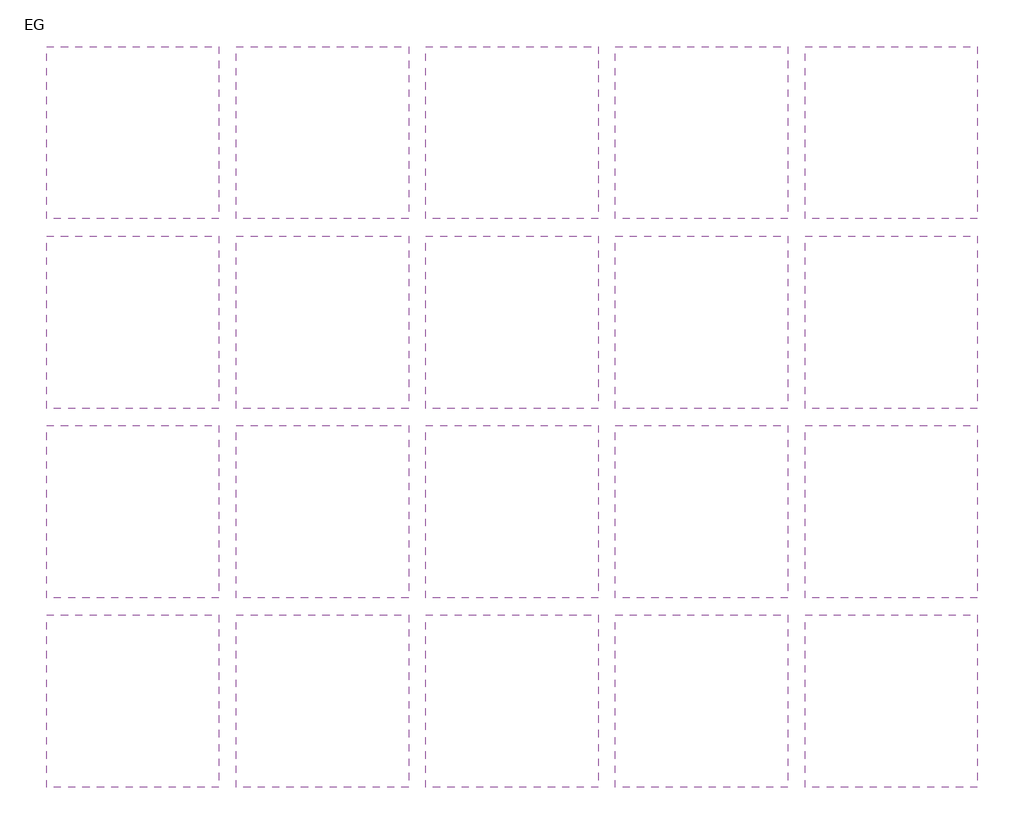
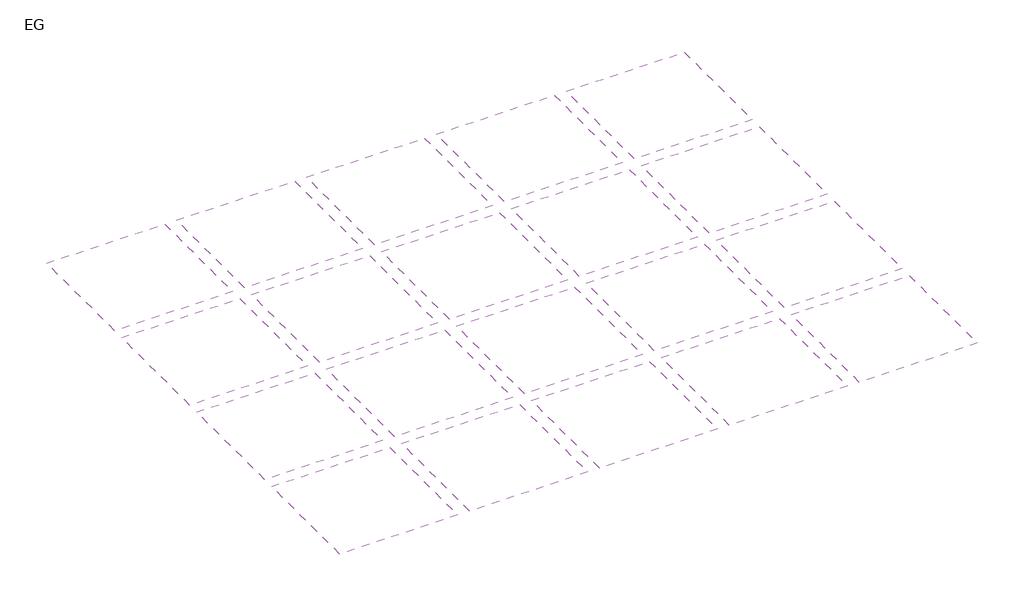
# One storey: 20 coverings.
"""IFC4 building model written with IfcOpenShell, lengths in millimetres."""

from ifc_helpers import new_model, si_unit, frame, origin, place, context, project, spatial, polyline, outline, extrude, element, save

model = new_model("IFC4")

# Units and contexts
model_context = context("Model", 3, world=origin())
ifc_project = project(units=[si_unit("LENGTHUNIT", "METRE", prefix="MILLI")], contexts=[model_context])

# Site, building, storey
site = spatial("IfcSite", under=ifc_project)
building = spatial("IfcBuilding", under=site)
storey = spatial("IfcBuildingStorey", under=building, Name="EG", Elevation=0.0)

# Coverings
placement = place(None, origin())
element("IfcCovering", 1, ObjectType="H_AHD 5.0cm - 0,60 x 0,60m", at=placement, inside=storey, context=model_context, shape_type="SweptSolid", body=[
    extrude(outline(polyline([(-34044.2742721, 12776.6918813), (-34044.2742721, 11776.6918813), (-35044.2742721, 11776.6918813), (-35044.2742721, 12776.6918813), (-34044.2742721, 12776.6918813)])), frame((0.0, 0.0, 2600.0), z_axis=(0.0, 0.0, 1.0), x_axis=(1.0, 0.0, 0.0)), (0.0, 0.0, 1.0), 50.0),
])
element("IfcCovering", 2, ObjectType="H_AHD 5.0cm - 0,60 x 0,60m", at=placement, inside=storey, context=model_context, shape_type="SweptSolid", body=[
    extrude(outline(polyline([(-34044.2742721, 11676.6918813), (-34044.2742721, 10676.6918813), (-35044.2742721, 10676.6918813), (-35044.2742721, 11676.6918813), (-34044.2742721, 11676.6918813)])), frame((0.0, 0.0, 2600.0), z_axis=(0.0, 0.0, 1.0), x_axis=(1.0, 0.0, 0.0)), (0.0, 0.0, 1.0), 50.0),
])
element("IfcCovering", 3, ObjectType="H_AHD 5.0cm - 0,60 x 0,60m", at=placement, inside=storey, context=model_context, shape_type="SweptSolid", body=[
    extrude(outline(polyline([(-34044.2742721, 10576.6918813), (-34044.2742721, 9576.6918813), (-35044.2742721, 9576.6918813), (-35044.2742721, 10576.6918813), (-34044.2742721, 10576.6918813)])), frame((0.0, 0.0, 2600.0), z_axis=(0.0, 0.0, 1.0), x_axis=(1.0, 0.0, 0.0)), (0.0, 0.0, 1.0), 50.0),
])
element("IfcCovering", 4, ObjectType="H_AHD 5.0cm - 0,60 x 0,60m", at=placement, inside=storey, context=model_context, shape_type="SweptSolid", body=[
    extrude(outline(polyline([(-34044.2742721, 9476.6918813), (-34044.2742721, 8476.6918813), (-35044.2742721, 8476.6918813), (-35044.2742721, 9476.6918813), (-34044.2742721, 9476.6918813)])), frame((0.0, 0.0, 2600.0), z_axis=(0.0, 0.0, 1.0), x_axis=(1.0, 0.0, 0.0)), (0.0, 0.0, 1.0), 50.0),
])
element("IfcCovering", 5, ObjectType="H_AHD 5.0cm - 0,60 x 0,60m", at=placement, inside=storey, context=model_context, shape_type="SweptSolid", body=[
    extrude(outline(polyline([(-32944.2742721, 12776.6918813), (-32944.2742721, 11776.6918813), (-33944.2742721, 11776.6918813), (-33944.2742721, 12776.6918813), (-32944.2742721, 12776.6918813)])), frame((0.0, 0.0, 2600.0), z_axis=(0.0, 0.0, 1.0), x_axis=(1.0, 0.0, 0.0)), (0.0, 0.0, 1.0), 50.0),
])
element("IfcCovering", 6, ObjectType="H_AHD 5.0cm - 0,60 x 0,60m", at=placement, inside=storey, context=model_context, shape_type="SweptSolid", body=[
    extrude(outline(polyline([(-32944.2742721, 11676.6918813), (-32944.2742721, 10676.6918813), (-33944.2742721, 10676.6918813), (-33944.2742721, 11676.6918813), (-32944.2742721, 11676.6918813)])), frame((0.0, 0.0, 2600.0), z_axis=(0.0, 0.0, 1.0), x_axis=(1.0, 0.0, 0.0)), (0.0, 0.0, 1.0), 50.0),
])
element("IfcCovering", 7, ObjectType="H_AHD 5.0cm - 0,60 x 0,60m", at=placement, inside=storey, context=model_context, shape_type="SweptSolid", body=[
    extrude(outline(polyline([(-32944.2742721, 10576.6918813), (-32944.2742721, 9576.6918813), (-33944.2742721, 9576.6918813), (-33944.2742721, 10576.6918813), (-32944.2742721, 10576.6918813)])), frame((0.0, 0.0, 2600.0), z_axis=(0.0, 0.0, 1.0), x_axis=(1.0, 0.0, 0.0)), (0.0, 0.0, 1.0), 50.0),
])
element("IfcCovering", 8, ObjectType="H_AHD 5.0cm - 0,60 x 0,60m", at=placement, inside=storey, context=model_context, shape_type="SweptSolid", body=[
    extrude(outline(polyline([(-32944.2742721, 9476.6918813), (-32944.2742721, 8476.6918813), (-33944.2742721, 8476.6918813), (-33944.2742721, 9476.6918813), (-32944.2742721, 9476.6918813)])), frame((0.0, 0.0, 2600.0), z_axis=(0.0, 0.0, 1.0), x_axis=(1.0, 0.0, 0.0)), (0.0, 0.0, 1.0), 50.0),
])
element("IfcCovering", 9, ObjectType="H_AHD 5.0cm - 0,60 x 0,60m", at=placement, inside=storey, context=model_context, shape_type="SweptSolid", body=[
    extrude(outline(polyline([(-31844.2742721, 12776.6918813), (-31844.2742721, 11776.6918813), (-32844.2742721, 11776.6918813), (-32844.2742721, 12776.6918813), (-31844.2742721, 12776.6918813)])), frame((0.0, 0.0, 2600.0), z_axis=(0.0, 0.0, 1.0), x_axis=(1.0, 0.0, 0.0)), (0.0, 0.0, 1.0), 50.0),
])
element("IfcCovering", 10, ObjectType="H_AHD 5.0cm - 0,60 x 0,60m", at=placement, inside=storey, context=model_context, shape_type="SweptSolid", body=[
    extrude(outline(polyline([(-31844.2742721, 11676.6918813), (-31844.2742721, 10676.6918813), (-32844.2742721, 10676.6918813), (-32844.2742721, 11676.6918813), (-31844.2742721, 11676.6918813)])), frame((0.0, 0.0, 2600.0), z_axis=(0.0, 0.0, 1.0), x_axis=(1.0, 0.0, 0.0)), (0.0, 0.0, 1.0), 50.0),
])
element("IfcCovering", 11, ObjectType="H_AHD 5.0cm - 0,60 x 0,60m", at=placement, inside=storey, context=model_context, shape_type="SweptSolid", body=[
    extrude(outline(polyline([(-31844.2742721, 10576.6918813), (-31844.2742721, 9576.6918813), (-32844.2742721, 9576.6918813), (-32844.2742721, 10576.6918813), (-31844.2742721, 10576.6918813)])), frame((0.0, 0.0, 2600.0), z_axis=(0.0, 0.0, 1.0), x_axis=(1.0, 0.0, 0.0)), (0.0, 0.0, 1.0), 50.0),
])
element("IfcCovering", 12, ObjectType="H_AHD 5.0cm - 0,60 x 0,60m", at=placement, inside=storey, context=model_context, shape_type="SweptSolid", body=[
    extrude(outline(polyline([(-31844.2742721, 9476.6918813), (-31844.2742721, 8476.6918813), (-32844.2742721, 8476.6918813), (-32844.2742721, 9476.6918813), (-31844.2742721, 9476.6918813)])), frame((0.0, 0.0, 2600.0), z_axis=(0.0, 0.0, 1.0), x_axis=(1.0, 0.0, 0.0)), (0.0, 0.0, 1.0), 50.0),
])
element("IfcCovering", 13, ObjectType="H_AHD 5.0cm - 0,60 x 0,60m", at=placement, inside=storey, context=model_context, shape_type="SweptSolid", body=[
    extrude(outline(polyline([(-30744.2742721, 12776.6918813), (-30744.2742721, 11776.6918813), (-31744.2742721, 11776.6918813), (-31744.2742721, 12776.6918813), (-30744.2742721, 12776.6918813)])), frame((0.0, 0.0, 2600.0), z_axis=(0.0, 0.0, 1.0), x_axis=(1.0, 0.0, 0.0)), (0.0, 0.0, 1.0), 50.0),
])
element("IfcCovering", 14, ObjectType="H_AHD 5.0cm - 0,60 x 0,60m", at=placement, inside=storey, context=model_context, shape_type="SweptSolid", body=[
    extrude(outline(polyline([(-30744.2742721, 11676.6918813), (-30744.2742721, 10676.6918813), (-31744.2742721, 10676.6918813), (-31744.2742721, 11676.6918813), (-30744.2742721, 11676.6918813)])), frame((0.0, 0.0, 2600.0), z_axis=(0.0, 0.0, 1.0), x_axis=(1.0, 0.0, 0.0)), (0.0, 0.0, 1.0), 50.0),
])
element("IfcCovering", 15, ObjectType="H_AHD 5.0cm - 0,60 x 0,60m", at=placement, inside=storey, context=model_context, shape_type="SweptSolid", body=[
    extrude(outline(polyline([(-30744.2742721, 10576.6918813), (-30744.2742721, 9576.6918813), (-31744.2742721, 9576.6918813), (-31744.2742721, 10576.6918813), (-30744.2742721, 10576.6918813)])), frame((0.0, 0.0, 2600.0), z_axis=(0.0, 0.0, 1.0), x_axis=(1.0, 0.0, 0.0)), (0.0, 0.0, 1.0), 50.0),
])
element("IfcCovering", 16, ObjectType="H_AHD 5.0cm - 0,60 x 0,60m", at=placement, inside=storey, context=model_context, shape_type="SweptSolid", body=[
    extrude(outline(polyline([(-30744.2742721, 9476.6918813), (-30744.2742721, 8476.6918813), (-31744.2742721, 8476.6918813), (-31744.2742721, 9476.6918813), (-30744.2742721, 9476.6918813)])), frame((0.0, 0.0, 2600.0), z_axis=(0.0, 0.0, 1.0), x_axis=(1.0, 0.0, 0.0)), (0.0, 0.0, 1.0), 50.0),
])
element("IfcCovering", 17, ObjectType="H_AHD 5.0cm - 0,60 x 0,60m", at=placement, inside=storey, context=model_context, shape_type="SweptSolid", body=[
    extrude(outline(polyline([(-29644.2742721, 12776.6918813), (-29644.2742721, 11776.6918813), (-30644.2742721, 11776.6918813), (-30644.2742721, 12776.6918813), (-29644.2742721, 12776.6918813)])), frame((0.0, 0.0, 2600.0), z_axis=(0.0, 0.0, 1.0), x_axis=(1.0, 0.0, 0.0)), (0.0, 0.0, 1.0), 50.0),
])
element("IfcCovering", 18, ObjectType="H_AHD 5.0cm - 0,60 x 0,60m", at=placement, inside=storey, context=model_context, shape_type="SweptSolid", body=[
    extrude(outline(polyline([(-29644.2742721, 11676.6918813), (-29644.2742721, 10676.6918813), (-30644.2742721, 10676.6918813), (-30644.2742721, 11676.6918813), (-29644.2742721, 11676.6918813)])), frame((0.0, 0.0, 2600.0), z_axis=(0.0, 0.0, 1.0), x_axis=(1.0, 0.0, 0.0)), (0.0, 0.0, 1.0), 50.0),
])
element("IfcCovering", 19, ObjectType="H_AHD 5.0cm - 0,60 x 0,60m", at=placement, inside=storey, context=model_context, shape_type="SweptSolid", body=[
    extrude(outline(polyline([(-29644.2742721, 10576.6918813), (-29644.2742721, 9576.6918813), (-30644.2742721, 9576.6918813), (-30644.2742721, 10576.6918813), (-29644.2742721, 10576.6918813)])), frame((0.0, 0.0, 2600.0), z_axis=(0.0, 0.0, 1.0), x_axis=(1.0, 0.0, 0.0)), (0.0, 0.0, 1.0), 50.0),
])
element("IfcCovering", 20, ObjectType="H_AHD 5.0cm - 0,60 x 0,60m", at=placement, inside=storey, context=model_context, shape_type="SweptSolid", body=[
    extrude(outline(polyline([(-29644.2742721, 9476.6918813), (-29644.2742721, 8476.6918813), (-30644.2742721, 8476.6918813), (-30644.2742721, 9476.6918813), (-29644.2742721, 9476.6918813)])), frame((0.0, 0.0, 2600.0), z_axis=(0.0, 0.0, 1.0), x_axis=(1.0, 0.0, 0.0)), (0.0, 0.0, 1.0), 50.0),
])

save(model, "model.ifc")
